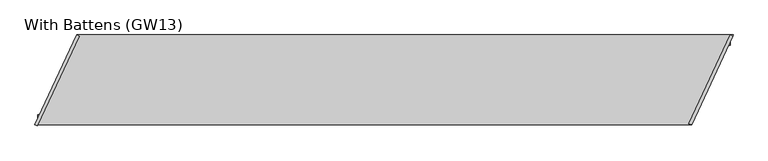
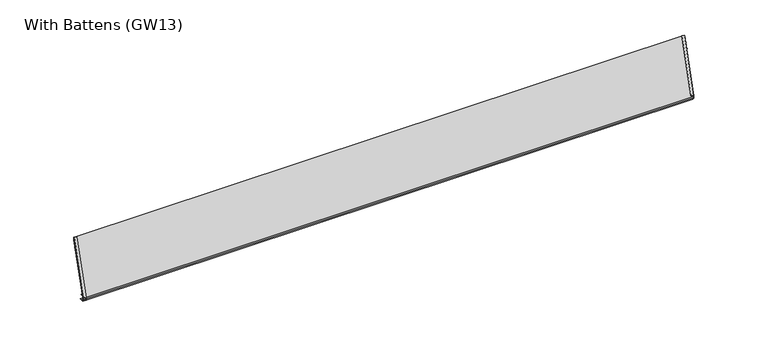
"""IFC4 building model written with IfcOpenShell, lengths in millimetres: proxy geometry, With Battens (GW13)."""

from ifc_helpers import new_model, si_unit, frame, origin, place, context, project, spatial, polyline, outline, extrude, source, transform, mapped, element, save


def with_battens_gw13_5d343487(model_context):
    return source(origin(), model_context, "Body", "SweptSolid", [
        extrude(outline(polyline([(-70.0, 0.0), (-70.0, 2.0), (-42.0, 2.0), (-42.0, 38.0), (-60.0, 38.0), (-60.0, 40.0), (-40.0, 40.0), (-40.0, 0.0), (-70.0, 0.0)])), frame((268.1269034, 0.0, 0.0), z_axis=(1.0, 0.0, 0.0), x_axis=(0.0, 1.0, 0.0)), (0.0, 0.0, 1.0), 4489.1400263),
        extrude(outline(polyline([(-545.0, 0.0), (-575.0, 0.0), (-575.0, 40.0), (-555.0, 40.0), (-555.0, 38.0), (-573.0, 38.0), (-573.0, 2.0), (-545.0, 2.0), (-545.0, 0.0)])), frame((18.6523063, 0.0, 0.0), z_axis=(1.0, 0.0, 0.0), x_axis=(0.0, 1.0, 0.0)), (0.0, 0.0, 1.0), 4489.1400263),
        extrude(outline(polyline([(4775.9192361, 0.0), (4489.1400263, -615.0), (0.0, -615.0), (286.7792098, 0.0), (4775.9192361, 0.0)])), frame((0.0, 0.0, 40.0), z_axis=(0.0, 0.0, 1.0), x_axis=(1.0, 0.0, 0.0)), (0.0, 0.0, 1.0), 15.0),
        extrude(outline(polyline([(19.0, 0.0), (19.0, -2.0), (2.0, -2.0), (2.0, -17.0), (19.0, -17.0), (19.0, -19.0), (0.0, -19.0), (0.0, 0.0), (19.0, 0.0)])), frame((4491.3467821, -615.0, 57.0), z_axis=(0.42261826174069766, 0.9063077870366508, 0.0), x_axis=(-0.9063077870366508, 0.42261826174069766, 0.0)), (0.0, 0.0, 1.0), 669.7175747),
        extrude(outline(polyline([(19.0, 0.0), (19.0, -2.0), (2.0, -2.0), (2.0, -17.0), (19.0, -17.0), (19.0, -19.0), (0.0, -19.0), (0.0, 0.0), (19.0, 0.0)])), frame((-1.8126156, -614.1547635, 38.0), z_axis=(0.4226182617407062, 0.9063077870366468, 0.0), x_axis=(0.9063077870366468, -0.4226182617407062, 0.0)), (0.0, 0.0, 1.0), 677.6448048),
    ])


if __name__ == "__main__":
    model = new_model("IFC4")
    model_context = context("Model", 3, world=origin())
    ifc_project = project(units=[si_unit("LENGTHUNIT", "METRE", prefix="MILLI")], contexts=[model_context])
    site = spatial("IfcSite", under=ifc_project)
    building = spatial("IfcBuilding", under=site)
    placement = place(None, origin())
    with_battens_gw13_shape = with_battens_gw13_5d343487(model_context)
    element("IfcBuildingElementProxy", 1, Name="With Battens (GW13)", ObjectType="With Battens (GW13)", at=placement, inside=building, context=model_context, shape_type="MappedRepresentation", body=[
        mapped(with_battens_gw13_shape, transform((0.0, 0.0, 0.0), x_axis=(1.0, 0.0, 0.0), y_axis=(0.0, 1.0, 0.0), z_axis=(0.0, 0.0, 1.0))),
    ])
    save(model, "model.ifc")
